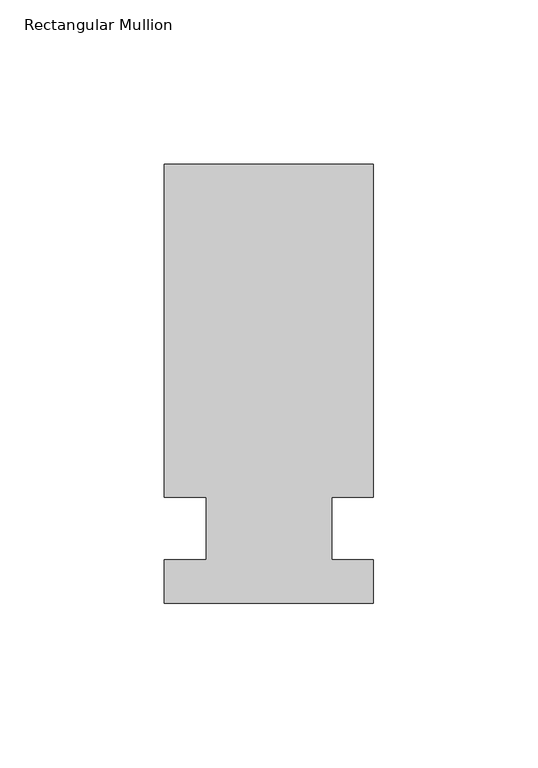
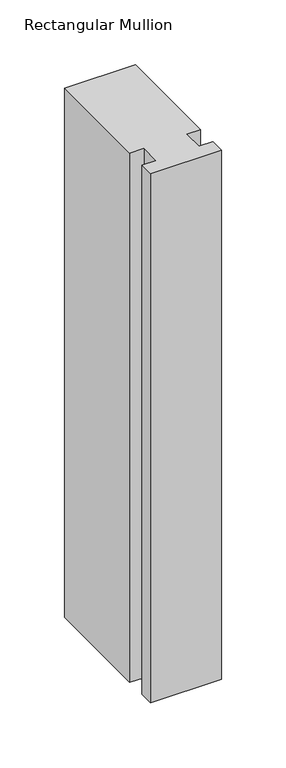
"""IFC4 building model written with IfcOpenShell, lengths in millimetres: member geometry, Rectangular Mullion."""

from ifc_helpers import new_model, si_unit, frame, origin, place, context, project, spatial, polyline, outline, extrude, source, transform, mapped, element, save


def rectangular_mullion_6eee6c1f(model_context):
    return source(origin(), model_context, "Body", "SweptSolid", [
        extrude(outline(polyline([(-63.5, 133.4396937), (0.0, 133.4396937), (0.0, 32.2460937), (-12.7, 32.2460937), (-12.7, 13.1960937), (0.0, 13.1960937), (0.0, 0.0134937), (-63.5, 0.0134937), (-63.5, 13.1960937), (-50.8, 13.1960937), (-50.8, 32.2460937), (-63.5, 32.2460938), (-63.5, 133.4396937)])), frame((0.0, 0.0, -500.6715822), z_axis=(0.0, 0.0, 1.0), x_axis=(1.0, 0.0, 0.0)), (0.0, 0.0, 1.0), 500.6715822),
    ])


if __name__ == "__main__":
    model = new_model("IFC4")
    model_context = context("Model", 3, world=origin())
    ifc_project = project(units=[si_unit("LENGTHUNIT", "METRE", prefix="MILLI")], contexts=[model_context])
    site = spatial("IfcSite", under=ifc_project)
    building = spatial("IfcBuilding", under=site)
    placement = place(None, origin())
    rectangular_mullion_shape = rectangular_mullion_6eee6c1f(model_context)
    element("IfcMember", 1, ObjectType="Rectangular Mullion", at=placement, inside=building, context=model_context, shape_type="MappedRepresentation", body=[
        mapped(rectangular_mullion_shape, transform((0.0, 0.0, 0.0), x_axis=(1.0, 0.0, 0.0), y_axis=(0.0, 1.0, 0.0), z_axis=(0.0, 0.0, 1.0))),
    ])
    save(model, "model.ifc")
